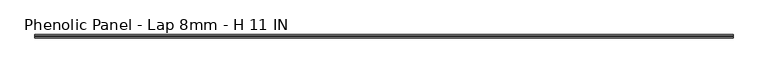
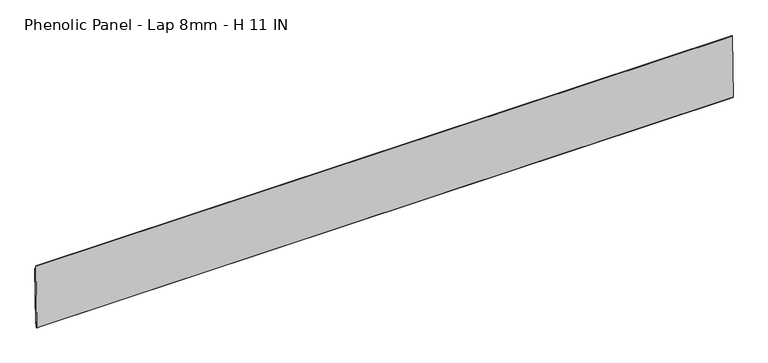
"""IFC4 building model written with IfcOpenShell, lengths in millimetres: proxy geometry, Phenolic Panel - Lap 8mm - H 11 IN."""

from ifc_helpers import new_model, si_unit, frame, origin, place, context, project, spatial, polyline, outline, extrude, source, transform, mapped, element, save


def phenolic_panel_lap_8mm_h_11_in_b46236a2(model_context):
    return source(origin(), model_context, "Body", "SweptSolid", [
        extrude(outline(polyline([(3.8868555, 592.7068585), (-1.7189997, 341.8174791), (-4.0996555, 341.8706723), (-3.9223448, 349.8061916), (-6.5013885, 349.8638176), (-7.0333207, 326.0572596), (-9.0033605, 326.101278), (-9.9866673, 327.1295311), (-3.7165155, 607.7494279), (-2.6882625, 608.7327348), (-1.3070382, 608.7018728), (-1.6616596, 592.8308341), (3.8868555, 592.7068585)])), frame((-1835.15, 0.0, 0.0), z_axis=(1.0, 0.0, 0.0), x_axis=(0.0, 1.0, 0.0)), (0.0, 0.0, 1.0), 3054.35),
    ])


if __name__ == "__main__":
    model = new_model("IFC4")
    model_context = context("Model", 3, world=origin())
    ifc_project = project(units=[si_unit("LENGTHUNIT", "METRE", prefix="MILLI")], contexts=[model_context])
    site = spatial("IfcSite", under=ifc_project)
    building = spatial("IfcBuilding", under=site)
    placement = place(None, origin())
    phenolic_panel_lap_8mm_h_11_in_shape = phenolic_panel_lap_8mm_h_11_in_b46236a2(model_context)
    element("IfcBuildingElementProxy", 1, Name="Phenolic Panel - Lap 8mm - H 11 IN", ObjectType="Phenolic Panel - Lap 8mm - H 11 IN", at=placement, inside=building, context=model_context, shape_type="MappedRepresentation", body=[
        mapped(phenolic_panel_lap_8mm_h_11_in_shape, transform((0.0, 0.0, 0.0), x_axis=(1.0, 0.0, 0.0), y_axis=(0.0, 1.0, 0.0), z_axis=(0.0, 0.0, 1.0))),
    ])
    save(model, "model.ifc")
